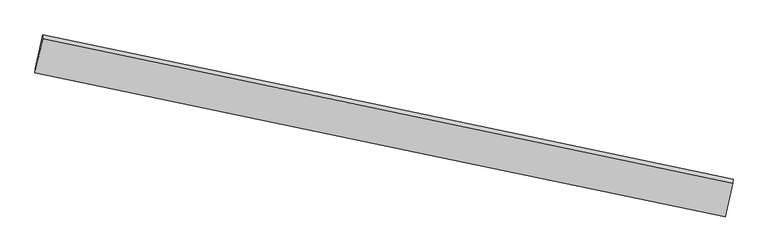
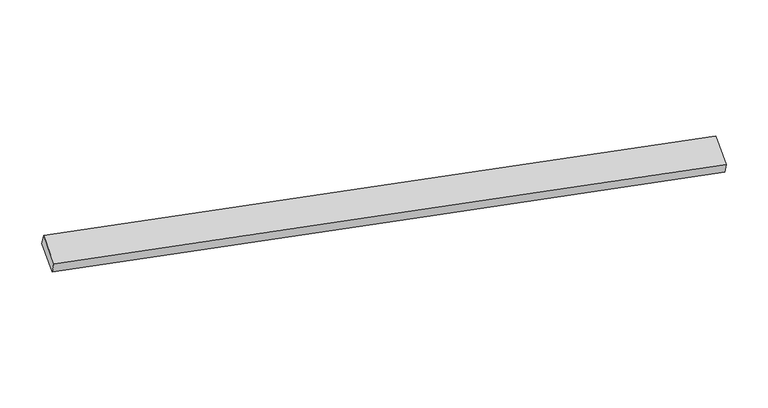
"""IFC4 building model written with IfcOpenShell, lengths in millimetres: proxy geometry."""

from ifc_helpers import new_model, si_unit, frame, origin, place, context, project, spatial, source, transform, mapped, element, save
from ifc_brep_helpers import plane_surface, spline_curve, spline_surface, advanced_brep


def generic_models_f63e3607(model_context):
    return source(origin(), model_context, "Body", "AdvancedBrep", [
        advanced_brep(
        [(5341.1769374, -1956.5535289, 1243.9928152), (5218.9104836, -2499.7313605, 1063.3514617), (-5885.0711934, -182.8860075, 1596.2235128), (-5761.9920505, 363.9022567, 1778.065566), (5337.5180254, -2019.3320032, 1435.2404839), (-5765.7686921, 299.1038126, 1975.4668491), (5215.2515717, -2562.5098348, 1254.5991304), (-5888.8478351, -247.6844517, 1793.6247959)],
        [
            (0, 1),
            (1, 2, spline_curve(3, [(5218.9104836, -2499.7313605, 1063.3514617), (3634.139287964, -2171.007471575, 1139.832587203), (2049.525112725, -1841.486516735, 1216.12249399), (-1651.925398906, -1069.830559277, 1393.896649177), (-3768.638449579, -627.069729106, 1495.230758523), (-5885.0711934, -182.8860075, 1596.2235128)], [4, 2, 4], [0.0, 15.947936128355227, 37.25597512417839])),
            (2, 3),
            (3, 0, spline_curve(3, [(-5761.9920505, 363.9022567, 1778.065566), (-3644.725029477, -76.575127557, 1678.30540578), (-1527.743468339, -518.143078945, 1577.368004528), (2173.187307537, -1292.108001541, 1398.825971404), (3757.262075763, -1624.02531244, 1321.739122904), (5341.1769374, -1956.5535289, 1243.9928152)], [4, 2, 4], [0.0, 21.308038995823164, 37.25597512417839])),
            (4, 0),
            (3, 5),
            (5, 4, spline_curve(3, [(-5765.7686921, 299.1038126, 1975.4668491), (-3648.461285673, -140.680651173, 1873.595784273), (-1531.449600485, -581.731736844, 1771.08380828), (2169.515906096, -1355.100770198, 1590.72646404), (3753.599793076, -1686.861623176, 1513.162984293), (5337.5180254, -2019.3320032, 1435.2404839)], [4, 2, 4], [0.0, 21.308034895696636, 37.2559679553248])),
            (6, 4),
            (5, 7),
            (7, 6, spline_curve(3, [(-5888.8478351, -247.6844517, 1793.6247959), (-3772.374706247, -691.175253253, 1690.521136163), (-1655.631530944, -1133.419216854, 1587.612452848), (2045.853711203, -1904.479285634, 1408.022986686), (3630.477005176, -2233.843782, 1331.256448272), (5215.2515717, -2562.5098348, 1254.5991304)], [4, 2, 4], [0.0, 21.308025873214334, 37.255952179993415])),
            (1, 6),
            (7, 2),
        ],
        [
            spline_surface(3, 3, [[(5341.1769374, -1956.5535289, 1243.9928152), (3757.26207593, -1624.025312223, 1321.739122641), (2173.187307752, -1292.108001743, 1398.825971392), (-1527.743468626, -518.143078675, 1577.368004544), (-3644.725029809, -76.575127283, 1678.305406075), (-5761.9920505, 363.9022567, 1778.065566)], [(5300.421452824, -2137.612806095, 1183.779030701), (3716.221146695, -1806.352698588, 1261.103610776), (2131.966576165, -1475.234173455, 1337.924812334), (-1569.137445501, -702.038905486, 1516.210885962), (-3686.029503139, -260.073327927, 1617.280523613), (-5803.018431497, 181.639501964, 1717.451548283)], [(5259.665968176, -2318.672083305, 1123.565246199), (3675.180217387, -1988.680084966, 1200.468098906), (2090.745844573, -1658.360345157, 1277.023653308), (-1610.53142238, -885.934732288, 1455.053767413), (-3727.333976376, -443.571528564, 1556.255641103), (-5844.044812403, -0.623252764, 1656.837530517)], [(5218.9104836, -2499.7313605, 1063.3514617), (3634.139288152, -2171.007471331, 1139.83258704), (2049.525112986, -1841.486516869, 1216.122494249), (-1651.925399255, -1069.8305591, 1393.89664883), (-3768.638449706, -627.069729209, 1495.230758641), (-5885.0711934, -182.8860075, 1596.2235128)]], [4, 4], [4, 2, 4], [0.0, 1.9471627131774054], [0.0, 15.947936128355227, 37.25597512417839]),
            spline_surface(3, 3, [[(5337.5180254, -2019.3320032, 1435.2404839), (3753.599793046, -1686.8616231, 1513.162984066), (2169.515906085, -1355.10077025, 1590.726463803), (-1531.44960047, -581.731736774, 1771.083808597), (-3648.461285994, -140.680650985, 1873.595783931), (-5765.7686921, 299.1038126, 1975.4668491)], [(5338.737662718, -1998.405845105, 1371.491261011), (3754.820553991, -1665.916186146, 1449.355030269), (2170.739706634, -1334.103180735, 1526.759633003), (-1530.214223196, -560.535517395, 1706.511873916), (-3647.215867243, -119.312143073, 1808.498991317), (-5764.509811544, 320.703293978, 1909.666421405)], [(5339.957300082, -1977.479686995, 1307.742038089), (3756.041314984, -1644.970749177, 1385.547076439), (2171.963507203, -1313.105591258, 1462.792802192), (-1528.978845901, -539.339298054, 1641.939939225), (-3645.97044856, -97.943635195, 1743.402198688), (-5763.250931056, 342.302775322, 1843.865993695)], [(5341.1769374, -1956.5535289, 1243.9928152), (3757.26207593, -1624.025312223, 1321.739122641), (2173.187307752, -1292.108001743, 1398.825971392), (-1527.743468626, -518.143078675, 1577.368004544), (-3644.725029809, -76.575127283, 1678.305406075), (-5761.9920505, 363.9022567, 1778.065566)]], [4, 4], [4, 2, 4], [0.0, 0.6668816355698877], [0.0, 15.947933059628163, 37.2559679553248]),
            spline_surface(3, 3, [[(5215.2515717, -2562.5098348, 1254.5991304), (3630.477005368, -2233.843782208, 1331.256448465), (2045.853711319, -1904.479285376, 1408.02298666), (-1655.631531099, -1133.419217199, 1587.612452883), (-3772.374705991, -691.175253011, 1690.521136496), (-5888.8478351, -247.6844517, 1793.6247959)], [(5256.007056276, -2381.450557605, 1314.812914899), (3671.517934603, -2051.516395843, 1391.891960331), (2087.074442906, -1721.353113664, 1468.924145718), (-1614.237554224, -949.523390387, 1648.769571465), (-3731.070232661, -507.677052367, 1751.546018958), (-5847.821454103, -65.421696964, 1854.238813617)], [(5296.762540824, -2200.391280395, 1375.026699401), (3712.558863811, -1869.189009464, 1452.527472201), (2128.295174498, -1538.226941962, 1529.825304744), (-1572.843577345, -765.627563585, 1709.926690015), (-3689.765759324, -324.17885163, 1812.570901469), (-5806.795073097, 116.841057864, 1914.852831383)], [(5337.5180254, -2019.3320032, 1435.2404839), (3753.599793046, -1686.8616231, 1513.162984066), (2169.515906085, -1355.10077025, 1590.726463803), (-1531.44960047, -581.731736774, 1771.083808597), (-3648.461285994, -140.680650985, 1873.595783931), (-5765.7686921, 299.1038126, 1975.4668491)]], [4, 4], [4, 2, 4], [0.0, 1.947162713177426], [0.0, 15.947926306779083, 37.255952179993415]),
            spline_surface(3, 3, [[(5218.9104836, -2499.7313605, 1063.3514617), (3634.139288152, -2171.007471331, 1139.83258704), (2049.525112986, -1841.486516869, 1216.122494249), (-1651.925399255, -1069.8305591, 1393.89664883), (-3768.638449706, -627.069729209, 1495.230758641), (-5885.0711934, -182.8860075, 1596.2235128)], [(5217.690846282, -2520.657518595, 1127.100684589), (3632.918527206, -2191.952908285, 1203.640540838), (2048.301312437, -1862.484106384, 1280.089325049), (-1653.160776529, -1091.026778479, 1458.468583511), (-3769.883868457, -648.438237121, 1560.327551254), (-5886.330073956, -204.485488878, 1662.023940495)], [(5216.471209018, -2541.583676705, 1190.849907511), (3631.697766314, -2212.898345254, 1267.448494668), (2047.077511868, -1883.481695861, 1344.05615586), (-1654.396153824, -1112.22299782, 1523.040518203), (-3771.12928724, -669.806745099, 1625.424343883), (-5887.588954544, -226.084970322, 1727.824368205)], [(5215.2515717, -2562.5098348, 1254.5991304), (3630.477005368, -2233.843782208, 1331.256448465), (2045.853711319, -1904.479285376, 1408.02298666), (-1655.631531099, -1133.419217199, 1587.612452883), (-3772.374705991, -691.175253011, 1690.521136496), (-5888.8478351, -247.6844517, 1793.6247959)]], [4, 4], [4, 2, 4], [0.0, 0.6668816355698397], [0.0, 15.94793386680087, 37.255969840961036]),
            plane_surface(frame((-5825.4199428, 58.1089025, 1785.845181), z_axis=(-0.9777721270173205, 0.20403828479338665, 0.04827054968195563), x_axis=(-0.01817450582481901, -0.31183252321510385, 0.9499632439222717))),
            plane_surface(frame((5278.2142545, -2259.5316818, 1249.2959728), z_axis=(0.9777721270173209, -0.2040382847933837, -0.04827054968196036), x_axis=(0.20888119821096435, 0.9279702882117833, 0.30860944449269834))),
        ],
        [
            (0, [[1, 2, 3, 4]]),
            (1, [[5, -4, 6, 7]]),
            (2, [[8, -7, 9, 10]]),
            (3, [[11, -10, 12, -2]]),
            (4, [[-12, -9, -6, -3]]),
            (5, [[-1, -5, -8, -11]]),
        ],
    ),
    ])


if __name__ == "__main__":
    model = new_model("IFC4")
    model_context = context("Model", 3, world=origin())
    ifc_project = project(units=[si_unit("LENGTHUNIT", "METRE", prefix="MILLI")], contexts=[model_context])
    site = spatial("IfcSite", under=ifc_project)
    building = spatial("IfcBuilding", under=site)
    placement = place(None, origin())
    generic_models_shape = generic_models_f63e3607(model_context)
    element("IfcBuildingElementProxy", 1, Name="Generic Models", at=placement, inside=building, context=model_context, shape_type="MappedRepresentation", body=[
        mapped(generic_models_shape, transform((0.0, 0.0, 0.0), x_axis=(1.0, 0.0, 0.0), y_axis=(0.0, 1.0, 0.0), z_axis=(0.0, 0.0, 1.0))),
    ])
    save(model, "model.ifc")
